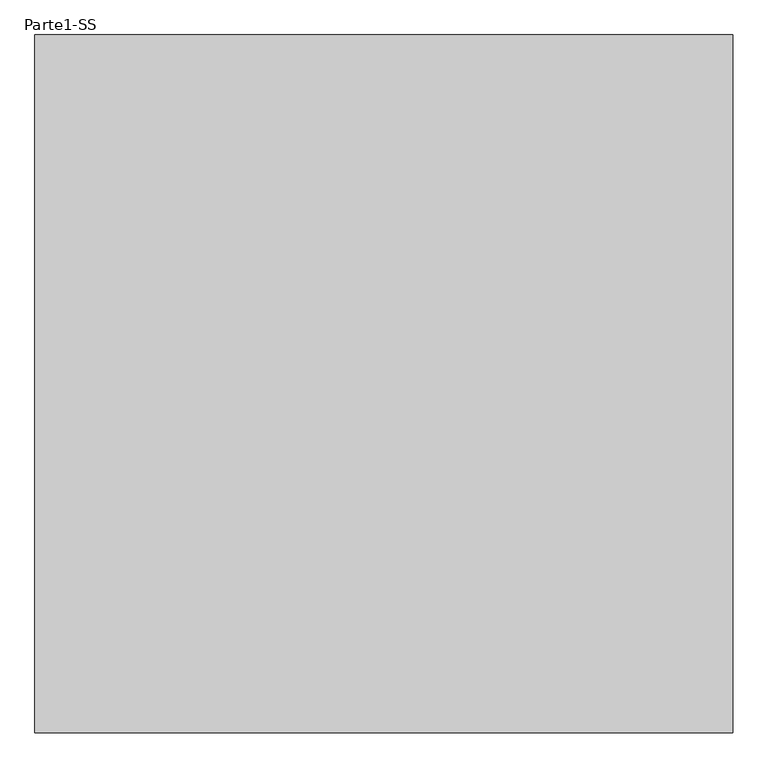
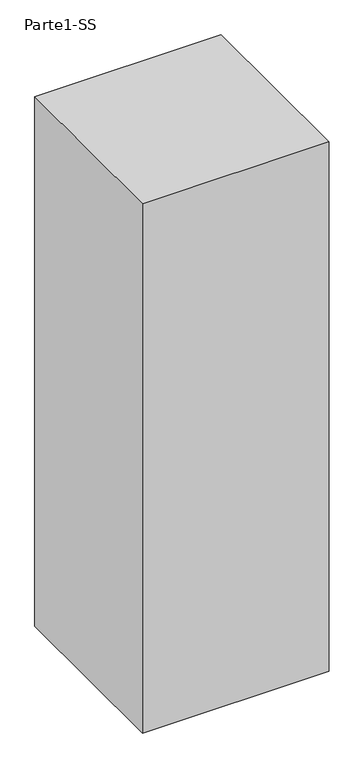
"""IFC4 building model written with IfcOpenShell, lengths in millimetres: proxy geometry, Parte1-SS."""

from ifc_helpers import new_model, si_unit, origin, origin_with_axes, place, context, project, spatial, polyline, outline, extrude, source, transform, mapped, element, save


def parte1_ss_1b3c646b(model_context):
    return source(origin(), model_context, "Body", "SweptSolid", [
        extrude(outline(polyline([(4000.0, 4000.0), (4000.0, 0.0), (0.0, 0.0), (0.0, 4000.0), (4000.0, 4000.0)])), origin_with_axes(), (0.0, 0.0, 1.0), 12000.0),
    ])


if __name__ == "__main__":
    model = new_model("IFC4")
    model_context = context("Model", 3, world=origin())
    ifc_project = project(units=[si_unit("LENGTHUNIT", "METRE", prefix="MILLI")], contexts=[model_context])
    site = spatial("IfcSite", under=ifc_project)
    building = spatial("IfcBuilding", under=site)
    placement = place(None, origin())
    parte1_ss_shape = parte1_ss_1b3c646b(model_context)
    element("IfcBuildingElementProxy", 1, Name="Parte1-SS", ObjectType="Parte1-SS", at=placement, inside=building, context=model_context, shape_type="MappedRepresentation", body=[
        mapped(parte1_ss_shape, transform((0.0, 0.0, 0.0), x_axis=(1.0, 0.0, 0.0), y_axis=(0.0, 1.0, 0.0), z_axis=(0.0, 0.0, 1.0))),
    ])
    save(model, "model.ifc")
